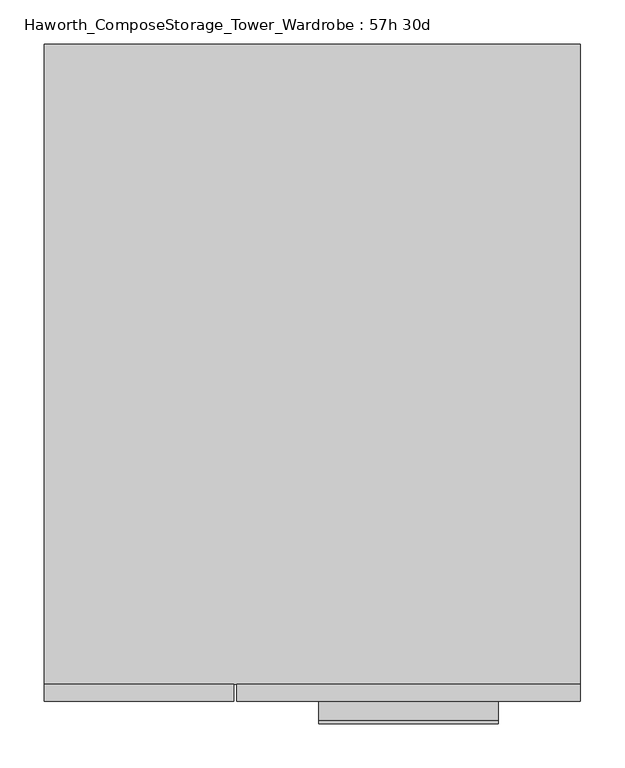
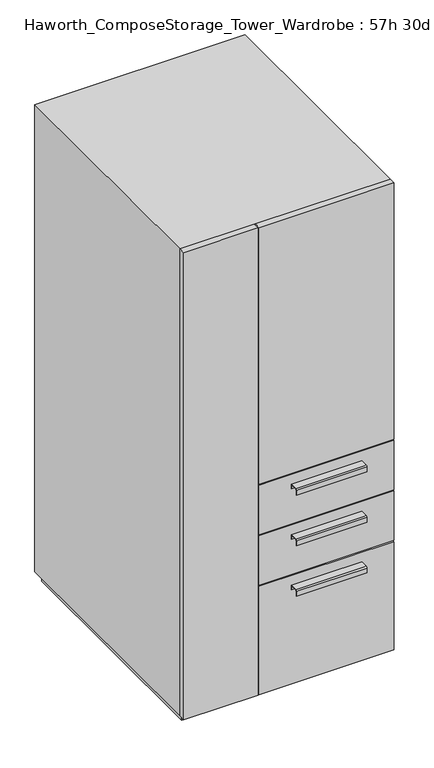
"""IFC4 building model written with IfcOpenShell, lengths in millimetres: furniture geometry, Haworth_ComposeStorage_Tower_Wardrobe : 57h 30d."""

from ifc_helpers import new_model, si_unit, point, frame, frame_2d, origin, origin_with_axes, place, context, project, spatial, polyline, circle_curve, trimmed, segment, composite_curve, outline, extrude, faceted_brep, source, transform, mapped, element, save


def haworth_composestorage_tower_wardrobe_57h_30d_42ff666a(model_context):
    return source(origin(), model_context, "Body", "SolidModel", [
        extrude(outline(composite_curve([segment(polyline([(-403.2250242, 633.9919215), (-381.0, 633.9919215), (-381.0, 620.5299525), (-381.7937742, 620.5299525), (-381.7937742, 633.1982199), (-403.2250242, 633.1982199)]), True, "CONTINUOUS"), segment(trimmed(circle_curve(frame_2d((-403.2250242, 630.8142808)), 2.3839392), [point((-403.2250242, 633.1982199))], [point((-405.6089634, 630.8142808))], True, "CARTESIAN"), True, "CONTINUOUS"), segment(polyline([(-405.6089634, 630.8142808), (-405.6089634, 616.2119021), (-406.3999758, 616.2119021), (-406.3999758, 630.8169699)]), True, "CONTINUOUS"), segment(trimmed(circle_curve(frame_2d((-403.2250242, 630.8169699)), 3.1749516), [point((-406.3999758, 630.8169699))], [point((-403.2250242, 633.9919215))], False, "CARTESIAN"), True, "CONTINUOUS")], self_intersect=False)), frame((7.1576406, 0.0, 0.0), z_axis=(1.0, 0.0, 0.0), x_axis=(0.0, 1.0, 0.0)), (0.0, 0.0, 1.0), 203.2),
        extrude(outline(polyline([(303.2263906, -361.95), (303.2263906, -381.0), (-85.7111094, -381.0), (-85.7111094, -361.95), (303.2263906, -361.95)])), frame((0.0, 0.0, 512.7625), z_axis=(0.0, 0.0, 1.0), x_axis=(1.0, 0.0, 0.0)), (0.0, 0.0, 1.0), 150.8125),
        extrude(outline(composite_curve([segment(polyline([(-403.2250242, 480.0044215), (-381.0, 480.0044215), (-381.0, 466.5424525), (-381.7937742, 466.5424525), (-381.7937742, 479.2107199), (-403.2250242, 479.2107199)]), True, "CONTINUOUS"), segment(trimmed(circle_curve(frame_2d((-403.2250242, 476.8267808)), 2.3839392), [point((-403.2250242, 479.2107199))], [point((-405.6089634, 476.8267808))], True, "CARTESIAN"), True, "CONTINUOUS"), segment(polyline([(-405.6089634, 476.8267808), (-405.6089634, 462.2244021), (-406.3999758, 462.2244021), (-406.3999758, 476.8294699)]), True, "CONTINUOUS"), segment(trimmed(circle_curve(frame_2d((-403.2250242, 476.8294699)), 3.1749516), [point((-406.3999758, 476.8294699))], [point((-403.2250242, 480.0044215))], False, "CARTESIAN"), True, "CONTINUOUS")], self_intersect=False)), frame((7.1576406, 0.0, 0.0), z_axis=(1.0, 0.0, 0.0), x_axis=(0.0, 1.0, 0.0)), (0.0, 0.0, 1.0), 203.2),
        extrude(outline(polyline([(303.2263906, -361.95), (303.2263906, -381.0), (-85.7111094, -381.0), (-85.7111094, -361.95), (303.2263906, -361.95)])), frame((0.0, 0.0, 358.775), z_axis=(0.0, 0.0, 1.0), x_axis=(1.0, 0.0, 0.0)), (0.0, 0.0, 1.0), 150.8125),
        extrude(outline(composite_curve([segment(polyline([(-403.2250242, 326.0169215), (-381.0, 326.0169215), (-381.0, 312.5549525), (-381.7937742, 312.5549525), (-381.7937742, 325.2232199), (-403.2250242, 325.2232199)]), True, "CONTINUOUS"), segment(trimmed(circle_curve(frame_2d((-403.2250242, 322.8392808)), 2.3839392), [point((-403.2250242, 325.2232199))], [point((-405.6089634, 322.8392808))], True, "CARTESIAN"), True, "CONTINUOUS"), segment(polyline([(-405.6089634, 322.8392808), (-405.6089634, 308.2369021), (-406.3999758, 308.2369021), (-406.3999758, 322.8419699)]), True, "CONTINUOUS"), segment(trimmed(circle_curve(frame_2d((-403.2250242, 322.8419699)), 3.1749516), [point((-406.3999758, 322.8419699))], [point((-403.2250242, 326.0169215))], False, "CARTESIAN"), True, "CONTINUOUS")], self_intersect=False)), frame((7.1576406, 0.0, 0.0), z_axis=(1.0, 0.0, 0.0), x_axis=(0.0, 1.0, 0.0)), (0.0, 0.0, 1.0), 203.2),
        extrude(outline(polyline([(303.2263906, -361.95), (303.2263906, -381.0), (-85.7111094, -381.0), (-85.7111094, -361.95), (303.2263906, -361.95)])), frame((0.0, 0.0, 25.4), z_axis=(0.0, 0.0, 1.0), x_axis=(1.0, 0.0, 0.0)), (0.0, 0.0, 1.0), 330.2),
        extrude(outline(polyline([(303.2263906, -361.95), (303.2263906, -381.0), (-85.7111094, -381.0), (-85.7111094, -361.95), (303.2263906, -361.95)])), frame((0.0, 0.0, 666.75), z_axis=(0.0, 0.0, 1.0), x_axis=(1.0, 0.0, 0.0)), (0.0, 0.0, 1.0), 781.05),
        extrude(outline(polyline([(-303.1986094, -381.0), (-303.1986094, -361.95), (-88.8861094, -361.95), (-88.8861094, -381.0), (-303.1986094, -381.0)])), frame((0.0, 0.0, 25.4), z_axis=(0.0, 0.0, 1.0), x_axis=(1.0, 0.0, 0.0)), (0.0, 0.0, 1.0), 1422.4),
        faceted_brep([(-303.1986094, -361.95, 25.4), (303.2263906, -361.95, 25.4), (303.2263906, -361.95, 1447.8), (-303.1986094, -361.95, 1447.8), (-284.1486094, -361.95, 44.45), (-284.1486094, -361.95, 1428.75), (284.1694453, -361.95, 1428.75), (284.1694453, -361.95, 44.45), (-303.1986094, 361.95, 25.4), (-303.1986094, 361.95, 1447.8), (303.2263906, 361.95, 1447.8), (303.2263906, 361.95, 25.4), (-284.1486094, 342.9, 44.45), (-284.1486094, 342.9, 1428.75), (284.1694453, 342.9, 1428.75), (284.1694453, 342.9, 44.45)], [[[0, 1, 2, 3], [4, 5, 6, 7]], [[8, 9, 10, 11]], [[1, 0, 8, 11]], [[2, 1, 11, 10]], [[3, 2, 10, 9]], [[0, 3, 9, 8]], [[5, 4, 12, 13]], [[6, 5, 13, 14]], [[7, 6, 14, 15]], [[4, 7, 15, 12]], [[13, 12, 15, 14]]]),
        extrude(outline(polyline([(290.5263906, -349.25), (-290.4986094, -349.25), (-290.4986094, 349.25), (290.5263906, 349.25), (290.5263906, -349.25)])), origin_with_axes(), (0.0, 0.0, 1.0), 25.4),
    ])


if __name__ == "__main__":
    model = new_model("IFC4")
    model_context = context("Model", 3, world=origin())
    ifc_project = project(units=[si_unit("LENGTHUNIT", "METRE", prefix="MILLI")], contexts=[model_context])
    site = spatial("IfcSite", under=ifc_project)
    building = spatial("IfcBuilding", under=site)
    placement = place(None, origin())
    haworth_composestorage_tower_wardrobe_57h_30d_shape = haworth_composestorage_tower_wardrobe_57h_30d_42ff666a(model_context)
    element("IfcFurniture", 1, ObjectType="Haworth_ComposeStorage_Tower_Wardrobe : 57h 30d", at=placement, inside=building, context=model_context, shape_type="MappedRepresentation", body=[
        mapped(haworth_composestorage_tower_wardrobe_57h_30d_shape, transform((0.0, 0.0, 0.0), x_axis=(1.0, 0.0, 0.0), y_axis=(0.0, 1.0, 0.0), z_axis=(0.0, 0.0, 1.0))),
    ])
    save(model, "model.ifc")
